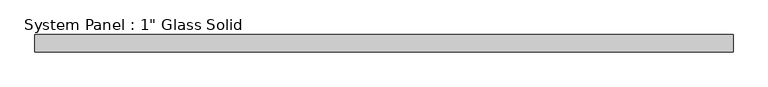
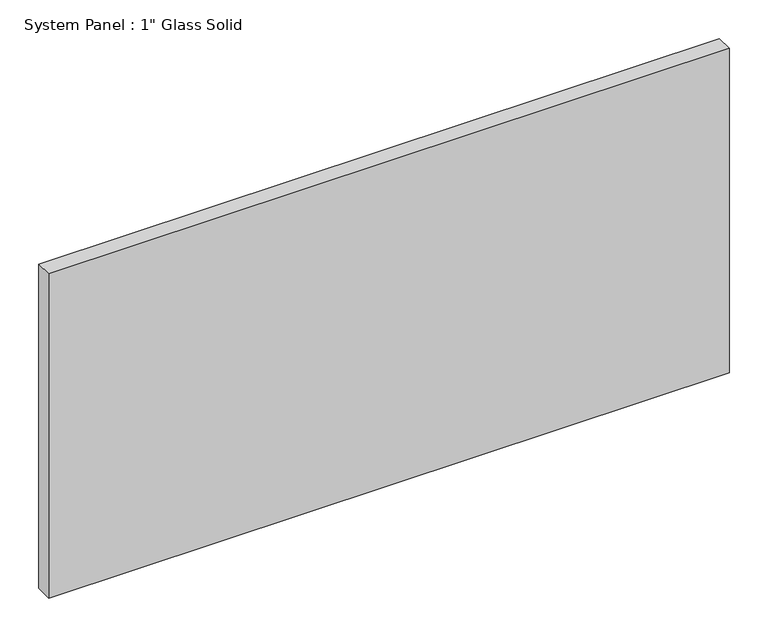
"""IFC4 building model written with IfcOpenShell, lengths in millimetres: plate geometry."""

import ifcopenshell
import ifcopenshell.guid

model = None  # the IFC model being written
_history = None  # IfcOwnerHistory: only IFC2X3 demands one
_inside = {}  # id of a spatial element -> (the spatial element, [elements in it])
_under = {}  # id of a project, library or spatial element -> (it, [spatial elements below it])
_declared = {}  # id of a project -> (the project, [libraries it declares])
_typed = {}  # id of a type object -> (the type object, [elements of that type])
_made_of = {}  # id of a material, layer set ... -> (it, [elements and type objects made of it])


def new_model(schema):
    """Start an empty IFC model of exactly this schema.

    Asked for "IFC4X3", IfcOpenShell would pick the latest addendum, in which some entities
    have other attributes; the version numbers below select the first issue.
    IFC2X3 requires an IfcOwnerHistory on every rooted entity: one is made here for all.
    """
    global model, _history
    if schema == "IFC4X3":
        model = ifcopenshell.file(schema_version=(4, 3, 0, 0))
    else:
        model = ifcopenshell.file(schema=schema)
    _inside.clear()
    _under.clear()
    _declared.clear()
    _typed.clear()
    _made_of.clear()
    _history = None
    if model.schema == "IFC2X3":
        org = make("IfcOrganization", Name="unknown")
        user = make(
            "IfcPersonAndOrganization",
            ThePerson=make("IfcPerson", FamilyName="unknown"),
            TheOrganization=org,
        )
        app = make(
            "IfcApplication",
            ApplicationDeveloper=org,
            Version="unknown",
            ApplicationFullName="unknown",
            ApplicationIdentifier="unknown",
        )
        _history = make(
            "IfcOwnerHistory",
            OwningUser=user,
            OwningApplication=app,
            ChangeAction="ADDED",
            CreationDate=0,
        )
    return model


def make(cls, **values):
    """One entity of the class cls with the attributes given. An attribute that is None is left unset."""
    return model.create_entity(
        cls, **{name: value for name, value in values.items() if value is not None}
    )


def rooted(cls, **values):
    """An entity with a GlobalId (a new one), such as an element, a storey or a relation."""
    return make(cls, GlobalId=ifcopenshell.guid.new(), OwnerHistory=_history, **values)


def si_unit(unit_type, name, prefix=None):
    """IfcSIUnit, for example si_unit("LENGTHUNIT", "METRE", prefix="MILLI")."""
    return make("IfcSIUnit", UnitType=unit_type, Prefix=prefix, Name=name)


def assignment(units):
    """IfcUnitAssignment: the units of a project."""
    return None if units is None else make("IfcUnitAssignment", Units=units)


def point(xyz):
    """IfcCartesianPoint."""
    return None if xyz is None else make("IfcCartesianPoint", Coordinates=xyz)


def direction(xyz):
    """IfcDirection."""
    return None if xyz is None else make("IfcDirection", DirectionRatios=xyz)


def frame(location, z_axis=None, x_axis=None):
    """IfcAxis2Placement3D, a coordinate frame: its origin and axes. An axis left out is left unset."""
    return make(
        "IfcAxis2Placement3D",
        Location=point(location),
        Axis=direction(z_axis),
        RefDirection=direction(x_axis),
    )


def origin():
    """The frame at (0, 0, 0) with its axes left unset."""
    return frame((0.0, 0.0, 0.0))


def origin_with_axes():
    """The frame at (0, 0, 0) with the z axis (0, 0, 1) and the x axis (1, 0, 0) written out."""
    return frame((0.0, 0.0, 0.0), z_axis=(0.0, 0.0, 1.0), x_axis=(1.0, 0.0, 0.0))


def place(relative_to, where):
    """IfcLocalPlacement: puts the frame where relative to a parent placement (None: the world)."""
    return make(
        "IfcLocalPlacement", PlacementRelTo=relative_to, RelativePlacement=where
    )


def context(
    kind, dimensions, precision=None, world=None, true_north=None, identifier=None
):
    """IfcGeometricRepresentationContext, for example the 3D "Model" context."""
    return make(
        "IfcGeometricRepresentationContext",
        ContextIdentifier=identifier,
        ContextType=kind,
        CoordinateSpaceDimension=dimensions,
        Precision=precision,
        WorldCoordinateSystem=world,
        TrueNorth=true_north,
    )


def project(units=None, contexts=None):
    """IfcProject with its units and contexts."""
    return rooted(
        "IfcProject",
        Name="project",
        RepresentationContexts=contexts,
        UnitsInContext=assignment(units),
    )


def spatial(cls, under=None, at=None, **own):
    """A site, building, storey or space (cls), placed at a placement, below another one or the project."""
    s = rooted(cls, ObjectPlacement=at, **own)
    if under is not None:
        _under.setdefault(under.id(), (under, []))[1].append(s)
    return s


def polyline(points):
    """IfcPolyline through the points."""
    return make("IfcPolyline", Points=[point(p) for p in points])


def outline(outer, holes=None, kind="AREA"):
    """IfcArbitraryClosedProfileDef: a profile drawn as a closed curve; with holes, ...WithVoids."""
    if holes is None:
        return make("IfcArbitraryClosedProfileDef", ProfileType=kind, OuterCurve=outer)
    return make(
        "IfcArbitraryProfileDefWithVoids",
        ProfileType=kind,
        OuterCurve=outer,
        InnerCurves=holes,
    )


def extrude(swept, where, along, depth):
    """IfcExtrudedAreaSolid: the profile swept, set in the frame where, extruded along a direction by depth."""
    return make(
        "IfcExtrudedAreaSolid",
        SweptArea=swept,
        Position=where,
        ExtrudedDirection=direction(along),
        Depth=depth,
    )


def shape(context_of_items, identifier, shape_type, items):
    """IfcShapeRepresentation: the items that make up one representation, for example the "Body"."""
    return make(
        "IfcShapeRepresentation",
        ContextOfItems=context_of_items,
        RepresentationIdentifier=identifier,
        RepresentationType=shape_type,
        Items=items,
    )


def source(mapping_origin, context_of_items, identifier, shape_type, items):
    """IfcRepresentationMap: a shape defined once, which mapped items show again and again."""
    return make(
        "IfcRepresentationMap",
        MappingOrigin=mapping_origin,
        MappedRepresentation=shape(context_of_items, identifier, shape_type, items),
    )


def transform(
    local_origin,
    x_axis=None,
    y_axis=None,
    z_axis=None,
    scale=None,
    scale2=None,
    scale3=None,
    uniform=True,
):
    """IfcCartesianTransformationOperator3D, or its non-uniform kind. x_axis, y_axis, z_axis: its Axis1, 2, 3."""
    if uniform:
        return make(
            "IfcCartesianTransformationOperator3D",
            Axis1=direction(x_axis),
            Axis2=direction(y_axis),
            LocalOrigin=point(local_origin),
            Scale=scale,
            Axis3=direction(z_axis),
        )
    return make(
        "IfcCartesianTransformationOperator3DnonUniform",
        Axis1=direction(x_axis),
        Axis2=direction(y_axis),
        LocalOrigin=point(local_origin),
        Scale=scale,
        Axis3=direction(z_axis),
        Scale2=scale2,
        Scale3=scale3,
    )


def mapped(mapping_source, mapping_target):
    """IfcMappedItem: shows the shape of a source again, moved by a transform."""
    return make(
        "IfcMappedItem", MappingSource=mapping_source, MappingTarget=mapping_target
    )


def made_of(thing, what):
    """Note that an element or type object is made of a material, layer set ...; save() writes the relation."""
    if what is not None:
        _made_of.setdefault(what.id(), (what, []))[1].append(thing)
    return thing


def element(
    cls,
    number,
    at=None,
    inside=None,
    cuts=None,
    type_object=None,
    material=None,
    context=None,
    identifier="Body",
    shape_type=None,
    held_by="IfcProductDefinitionShape",
    body=None,
    shapes=None,
    **own,
):
    """One element of the class cls, such as IfcWall. Its Tag is "e" and its number.

    at: its placement. inside: the storey or other place that contains it. cuts: it is an
    opening in that element (IfcRelVoidsElement). A single representation is given by context,
    identifier, shape_type and body (its items); several are given by shapes. held_by: the class
    of the entity that holds the representations. save() writes the other relations.
    """
    e = rooted(cls, Tag="e%d" % number, ObjectPlacement=at, **own)
    if body is not None:
        shapes = [shape(context, identifier, shape_type, body)]
    if shapes is not None:
        e.Representation = make(held_by, Representations=shapes)
    if inside is not None:
        _inside.setdefault(inside.id(), (inside, []))[1].append(e)
    if cuts is not None:
        rooted(
            "IfcRelVoidsElement", RelatingBuildingElement=cuts, RelatedOpeningElement=e
        )
    if type_object is not None:
        _typed.setdefault(type_object.id(), (type_object, []))[1].append(e)
    return made_of(e, material)


def aggregate(whole, parts):
    """IfcRelAggregates: a whole, such as a stair, and the parts it consists of."""
    return rooted("IfcRelAggregates", RelatingObject=whole, RelatedObjects=parts)


def save(model, path):
    """Write the relations noted so far, then the file.

    IfcRelAggregates (storeys below a building ...), IfcRelContainedInSpatialStructure (elements
    in a storey), IfcRelDefinesByType, IfcRelAssociatesMaterial and IfcRelDeclares: one each for
    every whole, place, type object, material and project.
    """
    for whole, parts in _under.values():
        aggregate(whole, parts)
    for where, things in _inside.values():
        rooted(
            "IfcRelContainedInSpatialStructure",
            RelatedElements=things,
            RelatingStructure=where,
        )
    for kind, things in _typed.values():
        rooted("IfcRelDefinesByType", RelatedObjects=things, RelatingType=kind)
    for what, things in _made_of.values():
        rooted("IfcRelAssociatesMaterial", RelatedObjects=things, RelatingMaterial=what)
    for by, libraries in _declared.values():
        rooted("IfcRelDeclares", RelatingContext=by, RelatedDefinitions=libraries)
    model.write(path)


def plate_23987293(model_context):
    return source(origin(), model_context, "Body", "SweptSolid", [
        extrude(outline(polyline([(507.4708333, -12.7), (-507.4708333, -12.7), (-507.4708333, 12.7), (507.4708333, 12.7), (507.4708333, -12.7)])), origin_with_axes(), (0.0, 0.0, 1.0), 511.175),
    ])


if __name__ == "__main__":
    model = new_model("IFC4")
    model_context = context("Model", 3, world=origin())
    ifc_project = project(units=[si_unit("LENGTHUNIT", "METRE", prefix="MILLI")], contexts=[model_context])
    site = spatial("IfcSite", under=ifc_project)
    building = spatial("IfcBuilding", under=site)
    placement = place(None, origin())
    plate_shape = plate_23987293(model_context)
    element("IfcPlate", 1, ObjectType="System Panel : 1\" Glass Solid", at=placement, inside=building, context=model_context, shape_type="MappedRepresentation", body=[
        mapped(plate_shape, transform((0.0, 0.0, 0.0), x_axis=(1.0, 0.0, 0.0), y_axis=(0.0, 1.0, 0.0), z_axis=(0.0, 0.0, 1.0))),
    ])
    save(model, "model.ifc")
